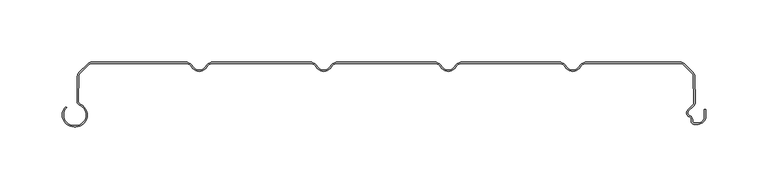
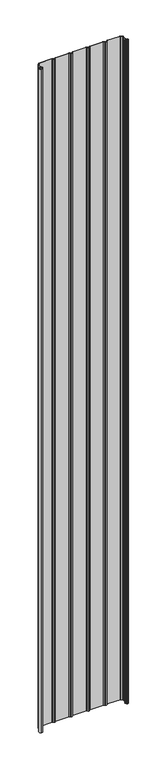
"""IFC4 building model written with IfcOpenShell, lengths in millimetres: plate geometry."""

from ifc_helpers import new_model, si_unit, point, frame_2d, origin, origin_with_axes, place, context, project, spatial, polyline, circle_curve, trimmed, segment, composite_curve, outline, extrude, source, transform, mapped, element, save


def plate_2cf599e9(model_context):
    return source(origin(), model_context, "Body", "SweptSolid", [
        extrude(outline(composite_curve([segment(polyline([(-250.5602536, -51.1554676), (-249.3062536, -51.1554676)]), True, "CONTINUOUS"), segment(trimmed(circle_curve(frame_2d((-249.3062536, -42.6554676)), 8.5), [point((-249.3062536, -51.1554676))], [point((-245.7922983, -34.9158218))], True, "CARTESIAN"), True, "CONTINUOUS"), segment(trimmed(circle_curve(frame_2d((-244.0973316, -31.1825808)), 4.1), [point((-245.7922983, -34.9158218))], [point((-248.1663398, -30.6794186))], False, "CARTESIAN"), True, "CONTINUOUS"), segment(trimmed(circle_curve(frame_2d((-347.0345923, -19.4848369)), 99.5), [point((-248.1663398, -30.6794186))], [point((-247.82984, -11.8253904))], True, "CARTESIAN"), True, "CONTINUOUS"), segment(trimmed(circle_curve(frame_2d((-243.7516341, -11.4032093)), 4.1), [point((-247.82984, -11.8253904))], [point((-246.6507719, -8.5040715))], False, "CARTESIAN"), True, "CONTINUOUS"), segment(polyline([(-246.6507719, -8.5040715), (-239.3475626, -1.2008622)]), True, "CONTINUOUS"), segment(trimmed(circle_curve(frame_2d((-236.4484248, -4.1)), 4.1), [point((-239.3475626, -1.2008622))], [point((-236.4484248, 0.0))], False, "CARTESIAN"), True, "CONTINUOUS"), segment(polyline([(-236.4484248, 0.0), (-161.2583302, 0.0)]), True, "CONTINUOUS"), segment(trimmed(circle_curve(frame_2d((-161.2583302, -7.0)), 7.0), [point((-161.2583302, 0.0))], [point((-155.1961524, -3.5))], False, "CARTESIAN"), True, "CONTINUOUS"), segment(trimmed(circle_curve(frame_2d((-150.0, -0.5)), 6.0), [point((-155.1961524, -3.5))], [point((-150.0, -6.5))], True, "CARTESIAN"), True, "CONTINUOUS"), segment(trimmed(circle_curve(frame_2d((-150.0, -0.5)), 6.0), [point((-150.0, -6.5))], [point((-144.8038476, -3.5))], True, "CARTESIAN"), True, "CONTINUOUS"), segment(trimmed(circle_curve(frame_2d((-138.7416698, -7.0)), 7.0), [point((-144.8038476, -3.5))], [point((-138.7416698, 0.0))], False, "CARTESIAN"), True, "CONTINUOUS"), segment(polyline([(-138.7416698, 0.0), (-61.2583302, 0.0)]), True, "CONTINUOUS"), segment(trimmed(circle_curve(frame_2d((-61.2583302, -7.0)), 7.0), [point((-61.2583302, 0.0))], [point((-55.1961524, -3.5))], False, "CARTESIAN"), True, "CONTINUOUS"), segment(trimmed(circle_curve(frame_2d((-50.0, -0.5)), 6.0), [point((-55.1961524, -3.5))], [point((-50.0, -6.5))], True, "CARTESIAN"), True, "CONTINUOUS"), segment(trimmed(circle_curve(frame_2d((-50.0, -0.5)), 6.0), [point((-50.0, -6.5))], [point((-44.8038476, -3.5))], True, "CARTESIAN"), True, "CONTINUOUS"), segment(trimmed(circle_curve(frame_2d((-38.7416698, -7.0)), 7.0), [point((-44.8038476, -3.5))], [point((-38.7416698, 0.0))], False, "CARTESIAN"), True, "CONTINUOUS"), segment(polyline([(-38.7416698, 0.0), (38.7416698, 0.0)]), True, "CONTINUOUS"), segment(trimmed(circle_curve(frame_2d((38.7416698, -7.0)), 7.0), [point((38.7416698, 0.0))], [point((44.8038476, -3.5))], False, "CARTESIAN"), True, "CONTINUOUS"), segment(trimmed(circle_curve(frame_2d((50.0, -0.5)), 6.0), [point((44.8038476, -3.5))], [point((50.0, -6.5))], True, "CARTESIAN"), True, "CONTINUOUS"), segment(trimmed(circle_curve(frame_2d((50.0, -0.5)), 6.0), [point((50.0, -6.5))], [point((55.1961524, -3.5))], True, "CARTESIAN"), True, "CONTINUOUS"), segment(trimmed(circle_curve(frame_2d((61.2583302, -7.0)), 7.0), [point((55.1961524, -3.5))], [point((61.2583302, 0.0))], False, "CARTESIAN"), True, "CONTINUOUS"), segment(polyline([(61.2583302, 0.0), (138.7416698, 0.0)]), True, "CONTINUOUS"), segment(trimmed(circle_curve(frame_2d((138.7416698, -7.0)), 7.0), [point((138.7416698, 0.0))], [point((144.8038476, -3.5))], False, "CARTESIAN"), True, "CONTINUOUS"), segment(trimmed(circle_curve(frame_2d((150.0, -0.5)), 6.0), [point((144.8038476, -3.5))], [point((150.0, -6.5))], True, "CARTESIAN"), True, "CONTINUOUS"), segment(trimmed(circle_curve(frame_2d((150.0, -0.5)), 6.0), [point((150.0, -6.5))], [point((155.1961524, -3.5))], True, "CARTESIAN"), True, "CONTINUOUS"), segment(trimmed(circle_curve(frame_2d((161.2583302, -7.0)), 7.0), [point((155.1961524, -3.5))], [point((161.2583302, 0.0))], False, "CARTESIAN"), True, "CONTINUOUS"), segment(polyline([(161.2583302, 0.0), (236.4484248, 0.0)]), True, "CONTINUOUS"), segment(trimmed(circle_curve(frame_2d((236.4484248, -4.1)), 4.1), [point((236.4484248, 0.0))], [point((239.3475626, -1.2008622))], False, "CARTESIAN"), True, "CONTINUOUS"), segment(polyline([(239.3475626, -1.2008622), (246.6502639, -8.5035635)]), True, "CONTINUOUS"), segment(trimmed(circle_curve(frame_2d((243.7511261, -11.4027013)), 4.1), [point((246.6502639, -8.5035635))], [point((247.8293418, -11.8247881))], False, "CARTESIAN"), True, "CONTINUOUS"), segment(trimmed(circle_curve(frame_2d((347.0375761, -19.4390014)), 99.5), [point((247.8293418, -11.8247881))], [point((248.2850442, -31.6122279))], True, "CARTESIAN"), True, "CONTINUOUS"), segment(trimmed(circle_curve(frame_2d((243.9914801, -32.1706247)), 4.3297228), [point((248.2850442, -31.6122279))], [point((246.9270442, -35.3532279))], False, "CARTESIAN"), True, "CONTINUOUS"), segment(polyline([(246.9270442, -35.3532279), (242.8931689, -39.3871033)]), True, "CONTINUOUS"), segment(trimmed(circle_curve(frame_2d((244.4488038, -40.9427382)), 2.2), [point((242.8931689, -39.3871033))], [point((243.6238712, -42.98222))], True, "CARTESIAN"), True, "CONTINUOUS"), segment(trimmed(circle_curve(frame_2d((242.049, -46.8757763)), 4.2), [point((243.6238712, -42.98222))], [point((246.249, -46.8757763))], False, "CARTESIAN"), True, "CONTINUOUS"), segment(polyline([(246.249, -46.8757763), (246.249, -48.0)]), True, "CONTINUOUS"), segment(trimmed(circle_curve(frame_2d((247.249, -48.0)), 1.0), [point((246.249, -48.0))], [point((247.249, -49.0))], True, "CARTESIAN"), True, "CONTINUOUS"), segment(polyline([(247.249, -49.0), (250.55, -49.0)]), True, "CONTINUOUS"), segment(trimmed(circle_curve(frame_2d((250.55, -43.8)), 5.2), [point((250.55, -49.0))], [point((255.75, -43.8))], True, "CARTESIAN"), True, "CONTINUOUS"), segment(polyline([(255.75, -43.8), (255.75, -38.169), (256.75, -38.169), (256.75, -43.8)]), True, "CONTINUOUS"), segment(trimmed(circle_curve(frame_2d((250.55, -43.8)), 6.2), [point((256.75, -43.8))], [point((250.55, -50.0))], False, "CARTESIAN"), True, "CONTINUOUS"), segment(polyline([(250.55, -50.0), (247.249, -50.0)]), True, "CONTINUOUS"), segment(trimmed(circle_curve(frame_2d((247.249, -48.0)), 2.0), [point((247.249, -50.0))], [point((245.249, -48.0))], False, "CARTESIAN"), True, "CONTINUOUS"), segment(polyline([(245.249, -48.0), (245.249, -46.8757763)]), True, "CONTINUOUS"), segment(trimmed(circle_curve(frame_2d((242.049, -46.8757763)), 3.2), [point((245.249, -46.8757763))], [point((243.2489019, -43.9092572))], True, "CARTESIAN"), True, "CONTINUOUS"), segment(trimmed(circle_curve(frame_2d((244.4488038, -40.9427382)), 3.2), [point((243.2489019, -43.9092572))], [point((242.1860621, -38.6799965))], False, "CARTESIAN"), True, "CONTINUOUS"), segment(polyline([(242.1860621, -38.6799965), (246.2351433, -34.6309152)]), True, "CONTINUOUS"), segment(trimmed(circle_curve(frame_2d((243.9914801, -32.1706247)), 3.3297228), [point((246.2351433, -34.6309152))], [point((247.2929927, -31.7381109))], True, "CARTESIAN"), True, "CONTINUOUS"), segment(trimmed(circle_curve(frame_2d((347.0375761, -19.4390014)), 100.5), [point((247.2929927, -31.7381109))], [point((246.8333637, -11.7340799))], False, "CARTESIAN"), True, "CONTINUOUS"), segment(trimmed(circle_curve(frame_2d((243.7511261, -11.4027013)), 3.1), [point((246.8333637, -11.7340799))], [point((245.9431572, -9.2106703))], True, "CARTESIAN"), True, "CONTINUOUS"), segment(polyline([(245.9431572, -9.2106703), (238.6404559, -1.907969)]), True, "CONTINUOUS"), segment(trimmed(circle_curve(frame_2d((236.4484248, -4.1)), 3.1), [point((238.6404559, -1.907969))], [point((236.4484248, -1.0))], True, "CARTESIAN"), True, "CONTINUOUS"), segment(polyline([(236.4484248, -1.0), (161.2583302, -1.0)]), True, "CONTINUOUS"), segment(trimmed(circle_curve(frame_2d((161.2583302, -7.0)), 6.0), [point((161.2583302, -1.0))], [point((156.0621778, -4.0))], True, "CARTESIAN"), True, "CONTINUOUS"), segment(trimmed(circle_curve(frame_2d((150.0, -0.5)), 7.0), [point((156.0621778, -4.0))], [point((150.0, -7.5))], False, "CARTESIAN"), True, "CONTINUOUS"), segment(trimmed(circle_curve(frame_2d((150.0, -0.5)), 7.0), [point((150.0, -7.5))], [point((143.9378222, -4.0))], False, "CARTESIAN"), True, "CONTINUOUS"), segment(trimmed(circle_curve(frame_2d((138.7416698, -7.0)), 6.0), [point((143.9378222, -4.0))], [point((138.7416698, -1.0))], True, "CARTESIAN"), True, "CONTINUOUS"), segment(polyline([(138.7416698, -1.0), (61.2583302, -1.0)]), True, "CONTINUOUS"), segment(trimmed(circle_curve(frame_2d((61.2583302, -7.0)), 6.0), [point((61.2583302, -1.0))], [point((56.0621778, -4.0))], True, "CARTESIAN"), True, "CONTINUOUS"), segment(trimmed(circle_curve(frame_2d((50.0, -0.5)), 7.0), [point((56.0621778, -4.0))], [point((50.0, -7.5))], False, "CARTESIAN"), True, "CONTINUOUS"), segment(trimmed(circle_curve(frame_2d((50.0, -0.5)), 7.0), [point((50.0, -7.5))], [point((43.9378222, -4.0))], False, "CARTESIAN"), True, "CONTINUOUS"), segment(trimmed(circle_curve(frame_2d((38.7416698, -7.0)), 6.0), [point((43.9378222, -4.0))], [point((38.7416698, -1.0))], True, "CARTESIAN"), True, "CONTINUOUS"), segment(polyline([(38.7416698, -1.0), (-38.7416698, -1.0)]), True, "CONTINUOUS"), segment(trimmed(circle_curve(frame_2d((-38.7416698, -7.0)), 6.0), [point((-38.7416698, -1.0))], [point((-43.9378222, -4.0))], True, "CARTESIAN"), True, "CONTINUOUS"), segment(trimmed(circle_curve(frame_2d((-50.0, -0.5)), 7.0), [point((-43.9378222, -4.0))], [point((-50.0, -7.5))], False, "CARTESIAN"), True, "CONTINUOUS"), segment(trimmed(circle_curve(frame_2d((-50.0, -0.5)), 7.0), [point((-50.0, -7.5))], [point((-56.0621778, -4.0))], False, "CARTESIAN"), True, "CONTINUOUS"), segment(trimmed(circle_curve(frame_2d((-61.2583302, -7.0)), 6.0), [point((-56.0621778, -4.0))], [point((-61.2583302, -1.0))], True, "CARTESIAN"), True, "CONTINUOUS"), segment(polyline([(-61.2583302, -1.0), (-138.7416698, -1.0)]), True, "CONTINUOUS"), segment(trimmed(circle_curve(frame_2d((-138.7416698, -7.0)), 6.0), [point((-138.7416698, -1.0))], [point((-143.9378222, -4.0))], True, "CARTESIAN"), True, "CONTINUOUS"), segment(trimmed(circle_curve(frame_2d((-150.0, -0.5)), 7.0), [point((-143.9378222, -4.0))], [point((-150.0, -7.5))], False, "CARTESIAN"), True, "CONTINUOUS"), segment(trimmed(circle_curve(frame_2d((-150.0, -0.5)), 7.0), [point((-150.0, -7.5))], [point((-156.0621778, -4.0))], False, "CARTESIAN"), True, "CONTINUOUS"), segment(trimmed(circle_curve(frame_2d((-161.2583302, -7.0)), 6.0), [point((-156.0621778, -4.0))], [point((-161.2583302, -1.0))], True, "CARTESIAN"), True, "CONTINUOUS"), segment(polyline([(-161.2583302, -1.0), (-236.4484248, -1.0)]), True, "CONTINUOUS"), segment(trimmed(circle_curve(frame_2d((-236.4484248, -4.1)), 3.1), [point((-236.4484248, -1.0))], [point((-238.6404559, -1.907969))], True, "CARTESIAN"), True, "CONTINUOUS"), segment(polyline([(-238.6404559, -1.907969), (-245.9436651, -9.2111782)]), True, "CONTINUOUS"), segment(trimmed(circle_curve(frame_2d((-243.7516341, -11.4032093)), 3.1), [point((-245.9436651, -9.2111782))], [point((-246.8338854, -11.7344595))], True, "CARTESIAN"), True, "CONTINUOUS"), segment(trimmed(circle_curve(frame_2d((-347.0345923, -19.4848369)), 100.5), [point((-246.8338854, -11.7344595))], [point((-247.1733096, -30.7974064))], False, "CARTESIAN"), True, "CONTINUOUS"), segment(trimmed(circle_curve(frame_2d((-244.0973316, -31.1825808)), 3.1), [point((-247.1733096, -30.7974064))], [point((-245.3788918, -34.0052752))], True, "CARTESIAN"), True, "CONTINUOUS"), segment(trimmed(circle_curve(frame_2d((-249.3062536, -42.6554676)), 9.5), [point((-245.3788918, -34.0052752))], [point((-249.3062536, -52.1554676))], False, "CARTESIAN"), True, "CONTINUOUS"), segment(polyline([(-249.3062536, -52.1554676), (-250.5602536, -52.1554676)]), True, "CONTINUOUS"), segment(trimmed(circle_curve(frame_2d((-250.5602536, -42.6554676)), 9.5), [point((-250.5602536, -52.1554676))], [point((-257.277768, -35.9379532))], False, "CARTESIAN"), True, "CONTINUOUS"), segment(polyline([(-257.277768, -35.9379532), (-256.5706612, -36.64506)]), True, "CONTINUOUS"), segment(trimmed(circle_curve(frame_2d((-250.5602536, -42.6554676)), 8.5), [point((-256.5706612, -36.64506))], [point((-250.5602536, -51.1554676))], True, "CARTESIAN"), True, "CONTINUOUS")], self_intersect=False)), origin_with_axes(), (0.0, 0.0, 1.0), 4061.7064475),
    ])


if __name__ == "__main__":
    model = new_model("IFC4")
    model_context = context("Model", 3, world=origin())
    ifc_project = project(units=[si_unit("LENGTHUNIT", "METRE", prefix="MILLI")], contexts=[model_context])
    site = spatial("IfcSite", under=ifc_project)
    building = spatial("IfcBuilding", under=site)
    placement = place(None, origin())
    plate_shape = plate_2cf599e9(model_context)
    element("IfcPlate", 1, at=placement, inside=building, context=model_context, shape_type="MappedRepresentation", body=[
        mapped(plate_shape, transform((0.0, 0.0, 0.0), x_axis=(1.0, 0.0, 0.0), y_axis=(0.0, 1.0, 0.0), z_axis=(0.0, 0.0, 1.0))),
    ])
    save(model, "model.ifc")
